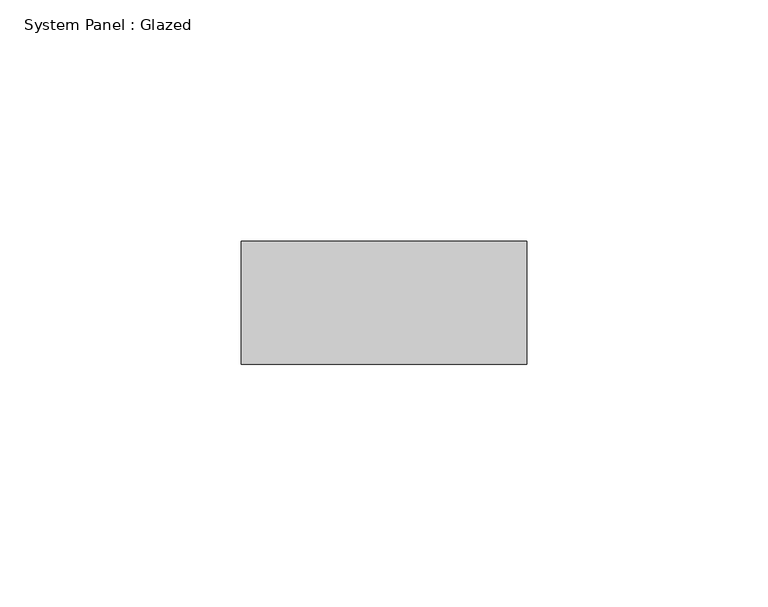
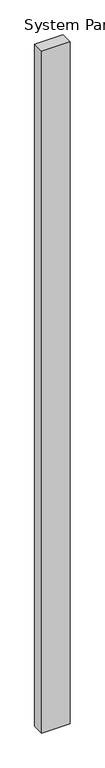
"""IFC4 building model written with IfcOpenShell, lengths in millimetres: plate geometry, System Panel : Glazed."""

from ifc_helpers import new_model, si_unit, origin, origin_with_axes, place, context, project, spatial, polyline, outline, extrude, source, transform, mapped, element, save


def system_panel_glazed_b04bcab1(model_context):
    return source(origin(), model_context, "Body", "SweptSolid", [
        extrude(outline(polyline([(29.525, 19.05), (-29.525, 19.05), (-29.525, 44.45), (29.525, 44.45), (29.525, 19.05)])), origin_with_axes(), (0.0, 0.0, 1.0), 1500.0),
    ])


if __name__ == "__main__":
    model = new_model("IFC4")
    model_context = context("Model", 3, world=origin())
    ifc_project = project(units=[si_unit("LENGTHUNIT", "METRE", prefix="MILLI")], contexts=[model_context])
    site = spatial("IfcSite", under=ifc_project)
    building = spatial("IfcBuilding", under=site)
    placement = place(None, origin())
    system_panel_glazed_shape = system_panel_glazed_b04bcab1(model_context)
    element("IfcPlate", 1, ObjectType="System Panel : Glazed", at=placement, inside=building, context=model_context, shape_type="MappedRepresentation", body=[
        mapped(system_panel_glazed_shape, transform((0.0, 0.0, 0.0), x_axis=(1.0, 0.0, 0.0), y_axis=(0.0, 1.0, 0.0), z_axis=(0.0, 0.0, 1.0))),
    ])
    save(model, "model.ifc")
